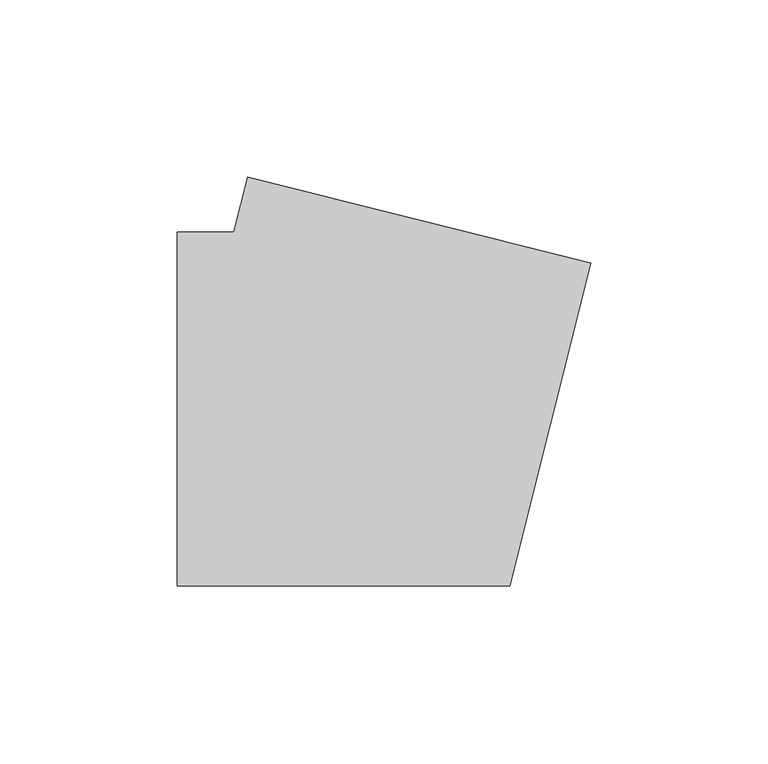
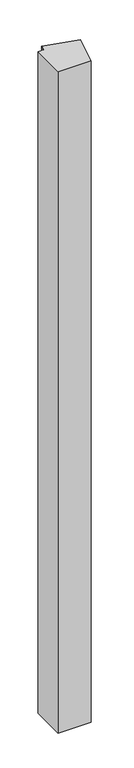
"""IFC4 building model written with IfcOpenShell, lengths in millimetres: member geometry."""

from ifc_helpers import new_model, si_unit, frame, origin, place, context, project, spatial, polyline, outline, extrude, source, transform, mapped, element, save


def member_f8596e1b(model_context):
    return source(origin(), model_context, "Body", "SweptSolid", [
        extrude(outline(polyline([(61.9007176, 41.1497407), (38.9859628, -50.0), (-55.0, -50.0), (-55.0, 50.0), (-38.9859628, 50.0), (-35.0815741, 65.5307802), (61.9007176, 41.1497407)])), frame((0.0, 0.0, -2000.0), z_axis=(0.0, 0.0, 1.0), x_axis=(1.0, 0.0, 0.0)), (0.0, 0.0, 1.0), 2000.0),
    ])


if __name__ == "__main__":
    model = new_model("IFC4")
    model_context = context("Model", 3, world=origin())
    ifc_project = project(units=[si_unit("LENGTHUNIT", "METRE", prefix="MILLI")], contexts=[model_context])
    site = spatial("IfcSite", under=ifc_project)
    building = spatial("IfcBuilding", under=site)
    placement = place(None, origin())
    member_shape = member_f8596e1b(model_context)
    element("IfcMember", 1, at=placement, inside=building, context=model_context, shape_type="MappedRepresentation", body=[
        mapped(member_shape, transform((0.0, 0.0, 0.0), x_axis=(1.0, 0.0, 0.0), y_axis=(0.0, 1.0, 0.0), z_axis=(0.0, 0.0, 1.0))),
    ])
    save(model, "model.ifc")
